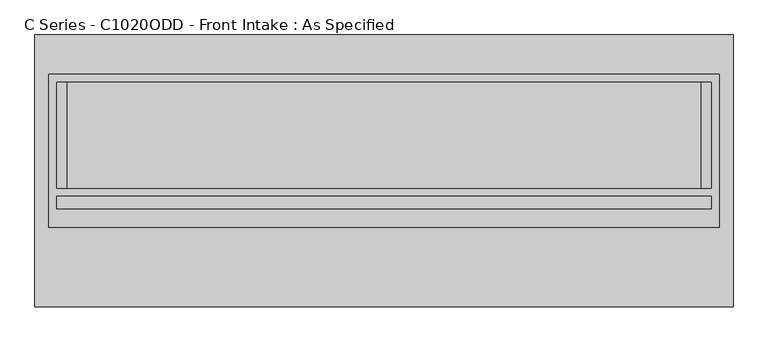
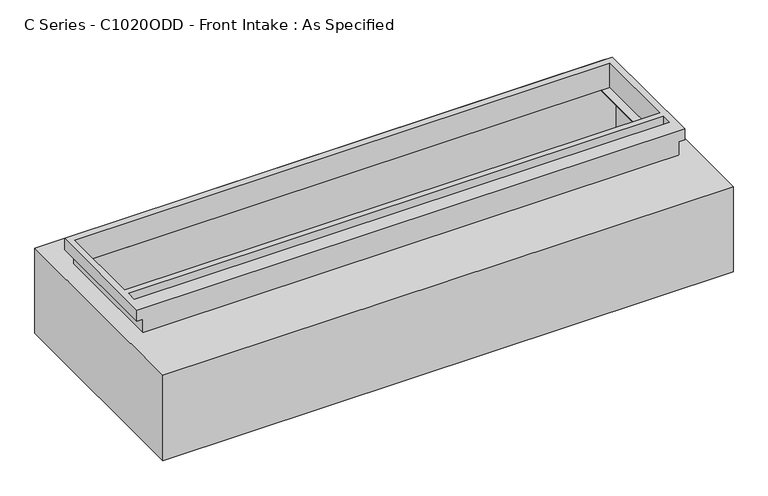
"""IFC4 building model written with IfcOpenShell, lengths in millimetres: proxy geometry, C Series - C1020ODD - Front Intake : As Specified."""

import ifcopenshell
import ifcopenshell.guid

model = None  # the IFC model being written
_history = None  # IfcOwnerHistory: only IFC2X3 demands one
_inside = {}  # id of a spatial element -> (the spatial element, [elements in it])
_under = {}  # id of a project, library or spatial element -> (it, [spatial elements below it])
_declared = {}  # id of a project -> (the project, [libraries it declares])
_typed = {}  # id of a type object -> (the type object, [elements of that type])
_made_of = {}  # id of a material, layer set ... -> (it, [elements and type objects made of it])


def new_model(schema):
    """Start an empty IFC model of exactly this schema.

    Asked for "IFC4X3", IfcOpenShell would pick the latest addendum, in which some entities
    have other attributes; the version numbers below select the first issue.
    IFC2X3 requires an IfcOwnerHistory on every rooted entity: one is made here for all.
    """
    global model, _history
    if schema == "IFC4X3":
        model = ifcopenshell.file(schema_version=(4, 3, 0, 0))
    else:
        model = ifcopenshell.file(schema=schema)
    _inside.clear()
    _under.clear()
    _declared.clear()
    _typed.clear()
    _made_of.clear()
    _history = None
    if model.schema == "IFC2X3":
        org = make("IfcOrganization", Name="unknown")
        user = make(
            "IfcPersonAndOrganization",
            ThePerson=make("IfcPerson", FamilyName="unknown"),
            TheOrganization=org,
        )
        app = make(
            "IfcApplication",
            ApplicationDeveloper=org,
            Version="unknown",
            ApplicationFullName="unknown",
            ApplicationIdentifier="unknown",
        )
        _history = make(
            "IfcOwnerHistory",
            OwningUser=user,
            OwningApplication=app,
            ChangeAction="ADDED",
            CreationDate=0,
        )
    return model


def make(cls, **values):
    """One entity of the class cls with the attributes given. An attribute that is None is left unset."""
    return model.create_entity(
        cls, **{name: value for name, value in values.items() if value is not None}
    )


def rooted(cls, **values):
    """An entity with a GlobalId (a new one), such as an element, a storey or a relation."""
    return make(cls, GlobalId=ifcopenshell.guid.new(), OwnerHistory=_history, **values)


def si_unit(unit_type, name, prefix=None):
    """IfcSIUnit, for example si_unit("LENGTHUNIT", "METRE", prefix="MILLI")."""
    return make("IfcSIUnit", UnitType=unit_type, Prefix=prefix, Name=name)


def assignment(units):
    """IfcUnitAssignment: the units of a project."""
    return None if units is None else make("IfcUnitAssignment", Units=units)


def point(xyz):
    """IfcCartesianPoint."""
    return None if xyz is None else make("IfcCartesianPoint", Coordinates=xyz)


def direction(xyz):
    """IfcDirection."""
    return None if xyz is None else make("IfcDirection", DirectionRatios=xyz)


def frame(location, z_axis=None, x_axis=None):
    """IfcAxis2Placement3D, a coordinate frame: its origin and axes. An axis left out is left unset."""
    return make(
        "IfcAxis2Placement3D",
        Location=point(location),
        Axis=direction(z_axis),
        RefDirection=direction(x_axis),
    )


def origin():
    """The frame at (0, 0, 0) with its axes left unset."""
    return frame((0.0, 0.0, 0.0))


def place(relative_to, where):
    """IfcLocalPlacement: puts the frame where relative to a parent placement (None: the world)."""
    return make(
        "IfcLocalPlacement", PlacementRelTo=relative_to, RelativePlacement=where
    )


def context(
    kind, dimensions, precision=None, world=None, true_north=None, identifier=None
):
    """IfcGeometricRepresentationContext, for example the 3D "Model" context."""
    return make(
        "IfcGeometricRepresentationContext",
        ContextIdentifier=identifier,
        ContextType=kind,
        CoordinateSpaceDimension=dimensions,
        Precision=precision,
        WorldCoordinateSystem=world,
        TrueNorth=true_north,
    )


def project(units=None, contexts=None):
    """IfcProject with its units and contexts."""
    return rooted(
        "IfcProject",
        Name="project",
        RepresentationContexts=contexts,
        UnitsInContext=assignment(units),
    )


def spatial(cls, under=None, at=None, **own):
    """A site, building, storey or space (cls), placed at a placement, below another one or the project."""
    s = rooted(cls, ObjectPlacement=at, **own)
    if under is not None:
        _under.setdefault(under.id(), (under, []))[1].append(s)
    return s


def polyline(points):
    """IfcPolyline through the points."""
    return make("IfcPolyline", Points=[point(p) for p in points])


def circle_curve(where, radius):
    """IfcCircle in the frame where."""
    return make("IfcCircle", Position=where, Radius=radius)


def faces_of(points, faces, orient=None, outer=None):
    """IfcFace entities. A face is a list of loops; a loop is a list of indices into points, from 0.

    orient and outer hold one flag for each loop. By default every Orientation is true, the
    first loop of a face is its IfcFaceOuterBound and the others are IfcFaceBound.
    """
    made = []
    for i, loops in enumerate(faces):
        bounds = []
        for j, loop in enumerate(loops):
            is_outer = j == 0 if outer is None else outer[i][j]
            bounds.append(
                make(
                    "IfcFaceOuterBound" if is_outer else "IfcFaceBound",
                    Bound=make("IfcPolyLoop", Polygon=[points[k] for k in loop]),
                    Orientation=True if orient is None else orient[i][j],
                )
            )
        made.append(make("IfcFace", Bounds=bounds))
    return made


def faceted_brep(points, faces, orient=None, outer=None, voids=None):
    """IfcFacetedBrep: a solid bounded by flat faces; with voids (closed shells), ...WithVoids."""
    shared = [point(p) for p in points]
    hull = make("IfcClosedShell", CfsFaces=faces_of(shared, faces, orient, outer))
    if voids is None:
        return make("IfcFacetedBrep", Outer=hull)
    return make(
        "IfcFacetedBrepWithVoids",
        Outer=hull,
        Voids=[
            make(cls, CfsFaces=faces_of(shared, fs, o, b)) for cls, fs, o, b in voids
        ],
    )


def shape(context_of_items, identifier, shape_type, items):
    """IfcShapeRepresentation: the items that make up one representation, for example the "Body"."""
    return make(
        "IfcShapeRepresentation",
        ContextOfItems=context_of_items,
        RepresentationIdentifier=identifier,
        RepresentationType=shape_type,
        Items=items,
    )


def source(mapping_origin, context_of_items, identifier, shape_type, items):
    """IfcRepresentationMap: a shape defined once, which mapped items show again and again."""
    return make(
        "IfcRepresentationMap",
        MappingOrigin=mapping_origin,
        MappedRepresentation=shape(context_of_items, identifier, shape_type, items),
    )


def transform(
    local_origin,
    x_axis=None,
    y_axis=None,
    z_axis=None,
    scale=None,
    scale2=None,
    scale3=None,
    uniform=True,
):
    """IfcCartesianTransformationOperator3D, or its non-uniform kind. x_axis, y_axis, z_axis: its Axis1, 2, 3."""
    if uniform:
        return make(
            "IfcCartesianTransformationOperator3D",
            Axis1=direction(x_axis),
            Axis2=direction(y_axis),
            LocalOrigin=point(local_origin),
            Scale=scale,
            Axis3=direction(z_axis),
        )
    return make(
        "IfcCartesianTransformationOperator3DnonUniform",
        Axis1=direction(x_axis),
        Axis2=direction(y_axis),
        LocalOrigin=point(local_origin),
        Scale=scale,
        Axis3=direction(z_axis),
        Scale2=scale2,
        Scale3=scale3,
    )


def mapped(mapping_source, mapping_target):
    """IfcMappedItem: shows the shape of a source again, moved by a transform."""
    return make(
        "IfcMappedItem", MappingSource=mapping_source, MappingTarget=mapping_target
    )


def made_of(thing, what):
    """Note that an element or type object is made of a material, layer set ...; save() writes the relation."""
    if what is not None:
        _made_of.setdefault(what.id(), (what, []))[1].append(thing)
    return thing


def element(
    cls,
    number,
    at=None,
    inside=None,
    cuts=None,
    type_object=None,
    material=None,
    context=None,
    identifier="Body",
    shape_type=None,
    held_by="IfcProductDefinitionShape",
    body=None,
    shapes=None,
    **own,
):
    """One element of the class cls, such as IfcWall. Its Tag is "e" and its number.

    at: its placement. inside: the storey or other place that contains it. cuts: it is an
    opening in that element (IfcRelVoidsElement). A single representation is given by context,
    identifier, shape_type and body (its items); several are given by shapes. held_by: the class
    of the entity that holds the representations. save() writes the other relations.
    """
    e = rooted(cls, Tag="e%d" % number, ObjectPlacement=at, **own)
    if body is not None:
        shapes = [shape(context, identifier, shape_type, body)]
    if shapes is not None:
        e.Representation = make(held_by, Representations=shapes)
    if inside is not None:
        _inside.setdefault(inside.id(), (inside, []))[1].append(e)
    if cuts is not None:
        rooted(
            "IfcRelVoidsElement", RelatingBuildingElement=cuts, RelatedOpeningElement=e
        )
    if type_object is not None:
        _typed.setdefault(type_object.id(), (type_object, []))[1].append(e)
    return made_of(e, material)


def aggregate(whole, parts):
    """IfcRelAggregates: a whole, such as a stair, and the parts it consists of."""
    return rooted("IfcRelAggregates", RelatingObject=whole, RelatedObjects=parts)


def save(model, path):
    """Write the relations noted so far, then the file.

    IfcRelAggregates (storeys below a building ...), IfcRelContainedInSpatialStructure (elements
    in a storey), IfcRelDefinesByType, IfcRelAssociatesMaterial and IfcRelDeclares: one each for
    every whole, place, type object, material and project.
    """
    for whole, parts in _under.values():
        aggregate(whole, parts)
    for where, things in _inside.values():
        rooted(
            "IfcRelContainedInSpatialStructure",
            RelatedElements=things,
            RelatingStructure=where,
        )
    for kind, things in _typed.values():
        rooted("IfcRelDefinesByType", RelatedObjects=things, RelatingType=kind)
    for what, things in _made_of.values():
        rooted("IfcRelAssociatesMaterial", RelatedObjects=things, RelatingMaterial=what)
    for by, libraries in _declared.values():
        rooted("IfcRelDeclares", RelatingContext=by, RelatedDefinitions=libraries)
    model.write(path)


def plane_surface(at):
    """IfcPlane: the flat surface through the origin of the frame at, square to its z axis."""
    return make("IfcPlane", Position=at)


def revolved_surface(curve, axis_point, axis_direction):
    """IfcSurfaceOfRevolution: the curve turned about the line through axis_point along axis_direction."""
    return make(
        "IfcSurfaceOfRevolution",
        SweptCurve=make("IfcArbitraryOpenProfileDef", ProfileType="CURVE", Curve=curve),
        AxisPosition=make("IfcAxis1Placement", Location=point(axis_point), Axis=direction(axis_direction)),
    )


def advanced_brep(points, edges, surfaces, faces):
    """IfcAdvancedBrep: a solid bounded by faces that lie on surfaces and meet in shared edges.

    An edge is (start, end): straight between two places in points (the first is 0);
    or (start, end, curve); or (start, end, curve, False) where it runs against its curve.
    A face is (place in surfaces, loops), or (place, loops, False) where it looks against
    its surface's normal. A loop lists edges by number (the first is 1), with a minus sign
    where the edge is run from its end to its start. The first loop is the outer one.
    """
    corners = [point(p) for p in points]
    vertices = [make("IfcVertexPoint", VertexGeometry=c) for c in corners]
    made = []
    for start, end, *more in edges:
        made.append(
            make(
                "IfcEdgeCurve",
                EdgeStart=vertices[start],
                EdgeEnd=vertices[end],
                EdgeGeometry=more[0] if more else make("IfcPolyline", Points=[corners[start], corners[end]]),
                SameSense=more[1] if len(more) > 1 else True,
            )
        )
    hull = []
    for where, loops, *sense in faces:
        bounds = []
        for j, loop in enumerate(loops):
            ring = [make("IfcOrientedEdge", EdgeElement=made[abs(k) - 1], Orientation=k > 0) for k in loop]
            bounds.append(
                make(
                    "IfcFaceOuterBound" if j == 0 else "IfcFaceBound",
                    Bound=make("IfcEdgeLoop", EdgeList=ring),
                    Orientation=True,
                )
            )
        hull.append(make("IfcAdvancedFace", Bounds=bounds, FaceSurface=surfaces[where], SameSense=sense[0] if sense else True))
    return make("IfcAdvancedBrep", Outer=make("IfcClosedShell", CfsFaces=hull))


def c_series_c1020odd_front_intake_as_specified_b66591df(model_context):
    return source(origin(), model_context, "Body", "SolidModel", [
        advanced_brep(
        [(1678.78125, 653.3058594, -530.3242188), (1678.78125, -653.3058594, -530.3242188), (-1678.78125, -653.3058594, -530.3242188), (-1678.78125, 653.3058594, -530.3242188), (1678.78125, 653.3058594, 0.0), (-1678.78125, 653.3058594, 0.0), (-1678.78125, -653.3058594, 0.0), (1678.78125, -653.3058594, 0.0), (1524.0, 424.6066406, 0.0), (1524.0, -83.3933594, 0.0), (-1524.0, -83.3933594, 0.0), (-1524.0, 424.6066406, 0.0), (1678.78125, -272.3058594, -430.3117188), (1678.78125, -294.5308594, -430.3117188), (1678.78125, -170.7058594, -430.3117188), (1678.78125, -192.9308594, -430.3117188), (1678.78125, -272.3058594, -100.1117188), (1678.78125, -294.5308594, -100.1117188), (1678.78125, -170.7058594, -100.1117188), (1678.78125, -192.9308594, -100.1117188), (1612.9, 424.6066406, -527.05), (-1612.9, 424.6066406, -527.05), (-1612.9, -83.3933594, -527.05), (1612.9, -83.3933594, -527.05), (1612.9, 424.6066406, -3.175), (1612.9, -83.3933594, -3.175), (1524.0, -83.3933594, -3.175), (1524.0, 424.6066406, -3.175), (-1612.9, -83.3933594, -3.175), (-1612.9, 424.6066406, -3.175), (-1524.0, 424.6066406, -3.175), (-1524.0, -83.3933594, -3.175), (1662.928271, -294.5308594, -430.3117188), (1662.928271, -272.3058594, -430.3117188), (1662.928271, -192.9308594, -430.3117188), (1662.928271, -170.7058594, -430.3117188), (1662.928271, -294.5308594, -100.1117188), (1662.928271, -272.3058594, -100.1117188), (1662.928271, -192.9308594, -100.1117188), (1662.928271, -170.7058594, -100.1117188)],
        [
            (0, 1),
            (1, 2),
            (2, 3),
            (3, 0),
            (4, 5),
            (5, 6),
            (6, 7),
            (7, 4),
            (8, 9),
            (9, 10),
            (10, 11),
            (11, 8),
            (3, 5),
            (4, 0),
            (2, 6),
            (1, 7),
            (12, 13, circle_curve(frame((1678.78125, -283.4183594, -430.3117188), z_axis=(-1.0, 0.0, 0.0), x_axis=(0.0, 1.0, 0.0)), 11.1125)),
            (13, 12, circle_curve(frame((1678.78125, -283.4183594, -430.3117188), z_axis=(-1.0, 0.0, 0.0), x_axis=(0.0, 1.0, 0.0)), 11.1125)),
            (14, 15, circle_curve(frame((1678.78125, -181.8183594, -430.3117188), z_axis=(-1.0, 0.0, 0.0), x_axis=(0.0, 1.0, 0.0)), 11.1125)),
            (15, 14, circle_curve(frame((1678.78125, -181.8183594, -430.3117188), z_axis=(-1.0, 0.0, 0.0), x_axis=(0.0, 1.0, 0.0)), 11.1125)),
            (16, 17, circle_curve(frame((1678.78125, -283.4183594, -100.1117188), z_axis=(-1.0, 0.0, 0.0), x_axis=(0.0, 1.0, 0.0)), 11.1125)),
            (17, 16, circle_curve(frame((1678.78125, -283.4183594, -100.1117188), z_axis=(-1.0, 0.0, 0.0), x_axis=(0.0, 1.0, 0.0)), 11.1125)),
            (18, 19, circle_curve(frame((1678.78125, -181.8183594, -100.1117188), z_axis=(-1.0, 0.0, 0.0), x_axis=(0.0, 1.0, 0.0)), 11.1125)),
            (19, 18, circle_curve(frame((1678.78125, -181.8183594, -100.1117188), z_axis=(-1.0, 0.0, 0.0), x_axis=(0.0, 1.0, 0.0)), 11.1125)),
            (20, 21),
            (21, 22),
            (22, 23),
            (23, 20),
            (24, 25),
            (25, 26),
            (26, 27),
            (27, 24),
            (28, 29),
            (29, 30),
            (30, 31),
            (31, 28),
            (23, 25),
            (24, 20),
            (22, 28),
            (31, 10),
            (9, 26),
            (21, 29),
            (27, 8),
            (11, 30),
            (32, 33, circle_curve(frame((1662.928271, -283.4183594, -430.3117188), z_axis=(1.0, 0.0, 0.0), x_axis=(0.0, 1.0, 0.0)), 11.1125)),
            (33, 32, circle_curve(frame((1662.928271, -283.4183594, -430.3117188), z_axis=(1.0, 0.0, 0.0), x_axis=(0.0, 1.0, 0.0)), 11.1125)),
            (34, 35, circle_curve(frame((1662.928271, -181.8183594, -430.3117188), z_axis=(1.0, 0.0, 0.0), x_axis=(0.0, 1.0, 0.0)), 11.1125)),
            (35, 34, circle_curve(frame((1662.928271, -181.8183594, -430.3117188), z_axis=(1.0, 0.0, 0.0), x_axis=(0.0, 1.0, 0.0)), 11.1125)),
            (36, 37, circle_curve(frame((1662.928271, -283.4183594, -100.1117188), z_axis=(1.0, 0.0, 0.0), x_axis=(0.0, 1.0, 0.0)), 11.1125)),
            (37, 36, circle_curve(frame((1662.928271, -283.4183594, -100.1117188), z_axis=(1.0, 0.0, 0.0), x_axis=(0.0, 1.0, 0.0)), 11.1125)),
            (38, 39, circle_curve(frame((1662.928271, -181.8183594, -100.1117188), z_axis=(1.0, 0.0, 0.0), x_axis=(0.0, 1.0, 0.0)), 11.1125)),
            (39, 38, circle_curve(frame((1662.928271, -181.8183594, -100.1117188), z_axis=(1.0, 0.0, 0.0), x_axis=(0.0, 1.0, 0.0)), 11.1125)),
            (32, 13),
            (12, 33),
            (34, 15),
            (14, 35),
            (36, 17),
            (16, 37),
            (38, 19),
            (18, 39),
        ],
        [
            plane_surface(frame((-1678.78125, 653.3058594, -530.3242188), z_axis=(0.0, 0.0, -1.0), x_axis=(1.0, 0.0, 0.0))),
            plane_surface(frame((-1678.78125, 653.3058594, 0.0), z_axis=(0.0, 0.0, 1.0), x_axis=(-1.0, 0.0, 0.0))),
            plane_surface(frame((1678.78125, 653.3058594, 0.0), z_axis=(0.0, 1.0, 0.0), x_axis=(0.0, 0.0, -1.0))),
            plane_surface(frame((-1678.78125, 653.3058594, 0.0), z_axis=(-1.0, 0.0, 0.0), x_axis=(0.0, 0.0, -1.0))),
            plane_surface(frame((-1678.78125, -653.3058594, 0.0), z_axis=(0.0, -1.0, 0.0), x_axis=(0.0, 0.0, -1.0))),
            plane_surface(frame((1678.78125, -653.3058594, 0.0), z_axis=(1.0, 0.0, 0.0), x_axis=(0.0, 0.0, -1.0))),
            plane_surface(frame((1612.9, 424.6066406, -527.05), z_axis=(0.0, 0.0, 1.0), x_axis=(0.0, -1.0, 0.0))),
            plane_surface(frame((1612.9, 424.6066406, -3.175), z_axis=(0.0, 0.0, -1.0), x_axis=(0.0, 1.0, 0.0))),
            plane_surface(frame((1612.9, 424.6066406, -527.05), z_axis=(-1.0, 0.0, 0.0), x_axis=(0.0, 0.0, 1.0))),
            plane_surface(frame((1612.9, -83.3933594, -527.05), z_axis=(0.0, 1.0, 0.0), x_axis=(0.0, 0.0, 1.0))),
            plane_surface(frame((-1612.9, -83.3933594, -527.05), z_axis=(1.0, 0.0, 0.0), x_axis=(0.0, 0.0, 1.0))),
            plane_surface(frame((-1612.9, 424.6066406, -527.05), z_axis=(0.0, -1.0, 0.0), x_axis=(0.0, 0.0, 1.0))),
            plane_surface(frame((1524.0, 424.6066406, -25.4), z_axis=(-1.0, 0.0, 0.0), x_axis=(0.0, 0.0, 1.0))),
            plane_surface(frame((-1524.0, -83.3933594, -25.4), z_axis=(1.0, 0.0, 0.0), x_axis=(0.0, 0.0, 1.0))),
            plane_surface(frame((1662.928271, -272.3058594, -430.3117188), z_axis=(1.0, 0.0, 0.0), x_axis=(0.0, 0.0, -1.0))),
            revolved_surface(polyline([(1678.78125, -272.3058594, -430.3117188), (1662.928271, -272.3058594, -430.3117188)]), (1662.928271, -283.4183594, -430.3117188), (1.0, 0.0, 0.0)),
            revolved_surface(polyline([(1678.78125, -170.70585939999998, -430.3117188), (1662.928271, -170.70585939999998, -430.3117188)]), (0.0, -181.8183594, -430.3117188), (1.0, 0.0, 0.0)),
            revolved_surface(polyline([(1678.78125, -272.3058594, -100.1117188), (1662.928271, -272.3058594, -100.1117188)]), (0.0, -283.4183594, -100.1117188), (1.0, 0.0, 0.0)),
            revolved_surface(polyline([(1678.78125, -170.70585939999998, -100.1117188), (1662.928271, -170.70585939999998, -100.1117188)]), (0.0, -181.8183594, -100.1117188), (1.0, 0.0, 0.0)),
        ],
        [
            (0, [[1, 2, 3, 4]]),
            (1, [[5, 6, 7, 8], [9, 10, 11, 12]]),
            (2, [[-4, 13, -5, 14]]),
            (3, [[-3, 15, -6, -13]]),
            (4, [[-2, 16, -7, -15]]),
            (5, [[-1, -14, -8, -16], [17, 18], [19, 20], [21, 22], [23, 24]]),
            (6, [[25, 26, 27, 28]]),
            (7, [[29, 30, 31, 32]]),
            (7, [[33, 34, 35, 36]]),
            (8, [[-28, 37, -29, 38]]),
            (9, [[-27, 39, -36, 40, -10, 41, -30, -37]]),
            (10, [[-26, 42, -33, -39]]),
            (11, [[-25, -38, -32, 43, -12, 44, -34, -42]]),
            (12, [[-43, -31, -41, -9]]),
            (13, [[-40, -35, -44, -11]]),
            (14, [[45, 46]]),
            (14, [[47, 48]]),
            (14, [[49, 50]]),
            (14, [[51, 52]]),
            (15, [[-45, 53, -17, 54]]),
            (15, [[-46, -54, -18, -53]]),
            (16, [[-47, 55, -19, 56]]),
            (16, [[-48, -56, -20, -55]]),
            (17, [[-49, 57, -21, 58]]),
            (17, [[-50, -58, -22, -57]]),
            (18, [[-51, 59, -23, 60]]),
            (18, [[-52, -60, -24, -59]]),
        ],
    ),
        faceted_brep([(1612.9, 464.2941406, 152.4), (-1612.9, 464.2941406, 152.4), (-1612.9, -272.3058594, 152.4), (1612.9, -272.3058594, 152.4), (1574.8, 424.6066406, 152.4), (1574.8, -83.3933594, 152.4), (-1574.8, -83.3933594, 152.4), (-1574.8, 424.6066406, 152.4), (1574.8, -121.4933594, 152.4), (1574.8, -181.8183594, 152.4), (-1574.8, -181.8183594, 152.4), (-1574.8, -121.4933594, 152.4), (1577.975, -272.3058594, 0.0), (-1577.975, -272.3058594, 0.0), (-1577.975, 429.3691406, 0.0), (1577.975, 429.3691406, 0.0), (1574.8, -83.3933594, 0.0), (1574.8, 424.6066406, 0.0), (-1574.8, 424.6066406, 0.0), (-1574.8, -83.3933594, 0.0), (1612.9, 464.2941406, 82.55), (-1612.9, 464.2941406, 82.55), (-1612.9, -272.3058594, 82.55), (-1577.975, -272.3058594, 82.55), (1577.975, -272.3058594, 82.55), (1612.9, -272.3058594, 82.55), (1577.975, 429.3691406, 82.55), (-1577.975, 429.3691406, 82.55), (1574.8, -121.4933594, 82.55), (-1574.8, -121.4933594, 82.55), (-1574.8, -181.8183594, 82.55), (1574.8, -181.8183594, 82.55)], [[[0, 1, 2, 3], [4, 5, 6, 7], [8, 9, 10, 11]], [[12, 13, 14, 15], [16, 17, 18, 19]], [[1, 0, 20, 21]], [[2, 1, 21, 22]], [[3, 2, 22, 23, 13, 12, 24, 25]], [[0, 3, 25, 20]], [[24, 26, 27, 23, 22, 21, 20, 25]], [[26, 24, 12, 15]], [[27, 26, 15, 14]], [[23, 27, 14, 13]], [[16, 5, 4, 17]], [[5, 16, 19, 6]], [[6, 19, 18, 7]], [[17, 4, 7, 18]], [[28, 29, 30, 31]], [[28, 31, 9, 8]], [[31, 30, 10, 9]], [[30, 29, 11, 10]], [[29, 28, 8, 11]]]),
    ])


if __name__ == "__main__":
    model = new_model("IFC4")
    model_context = context("Model", 3, world=origin())
    ifc_project = project(units=[si_unit("LENGTHUNIT", "METRE", prefix="MILLI")], contexts=[model_context])
    site = spatial("IfcSite", under=ifc_project)
    building = spatial("IfcBuilding", under=site)
    placement = place(None, origin())
    c_series_c1020odd_front_intake_as_specified_shape = c_series_c1020odd_front_intake_as_specified_b66591df(model_context)
    element("IfcBuildingElementProxy", 1, Name="C Series - C1020ODD - Front Intake : As Specified", ObjectType="C Series - C1020ODD - Front Intake : As Specified", at=placement, inside=building, context=model_context, shape_type="MappedRepresentation", body=[
        mapped(c_series_c1020odd_front_intake_as_specified_shape, transform((0.0, 0.0, 0.0), x_axis=(1.0, 0.0, 0.0), y_axis=(0.0, 1.0, 0.0), z_axis=(0.0, 0.0, 1.0))),
    ])
    save(model, "model.ifc")
